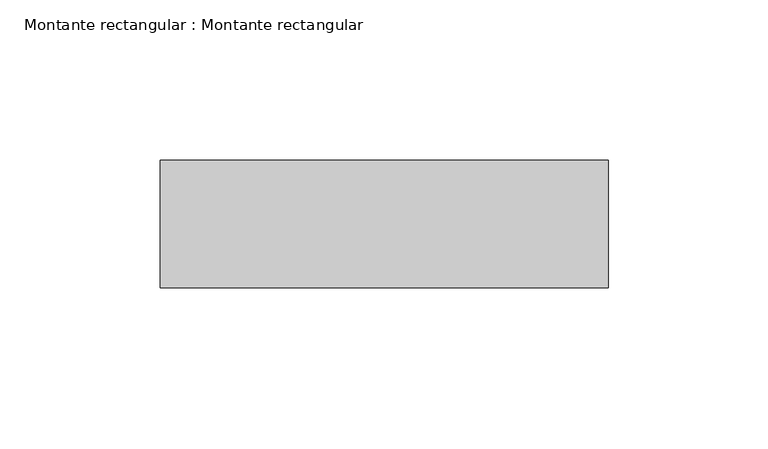
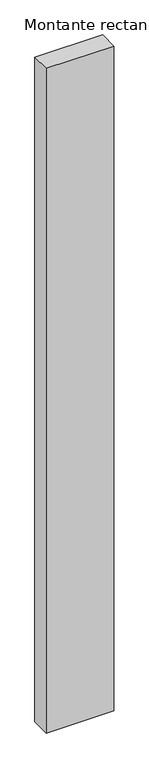
"""IFC4 building model written with IfcOpenShell, lengths in millimetres: member geometry, Montante rectangular : Montante rectangular."""

from ifc_helpers import new_model, si_unit, frame, origin, place, context, project, spatial, polyline, outline, extrude, source, transform, mapped, element, save


def montante_rectangular_montante_rectangular_4fa12029(model_context):
    return source(origin(), model_context, "Body", "SweptSolid", [
        extrude(outline(polyline([(84.4064043, -4.614603), (84.4064043, -44.614603), (-55.5935957, -44.614603), (-55.5935957, -4.614603), (84.4064043, -4.614603)])), frame((0.0, 0.0, -1450.0), z_axis=(0.0, 0.0, 1.0), x_axis=(1.0, 0.0, 0.0)), (0.0, 0.0, 1.0), 1450.0),
    ])


if __name__ == "__main__":
    model = new_model("IFC4")
    model_context = context("Model", 3, world=origin())
    ifc_project = project(units=[si_unit("LENGTHUNIT", "METRE", prefix="MILLI")], contexts=[model_context])
    site = spatial("IfcSite", under=ifc_project)
    building = spatial("IfcBuilding", under=site)
    placement = place(None, origin())
    montante_rectangular_montante_rectangular_shape = montante_rectangular_montante_rectangular_4fa12029(model_context)
    element("IfcMember", 1, ObjectType="Montante rectangular : Montante rectangular", at=placement, inside=building, context=model_context, shape_type="MappedRepresentation", body=[
        mapped(montante_rectangular_montante_rectangular_shape, transform((0.0, 0.0, 0.0), x_axis=(1.0, 0.0, 0.0), y_axis=(0.0, 1.0, 0.0), z_axis=(0.0, 0.0, 1.0))),
    ])
    save(model, "model.ifc")
